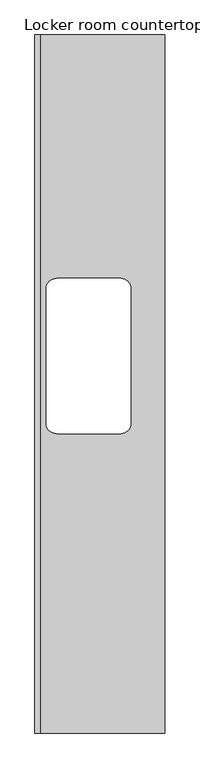
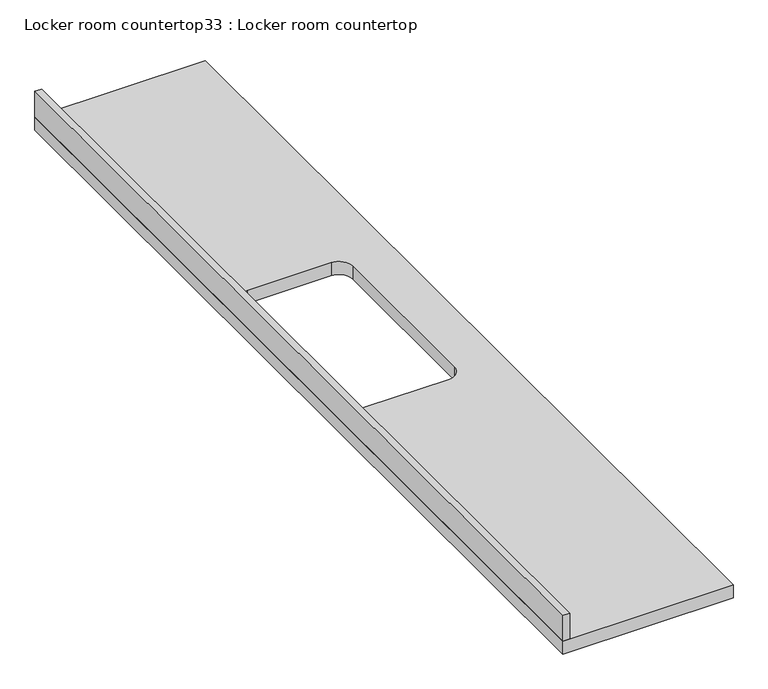
"""IFC4 building model written with IfcOpenShell, lengths in millimetres: furniture geometry, Locker room countertop33 : Locker room countertop."""

from ifc_helpers import new_model, si_unit, point, frame, frame_2d, origin, place, context, project, spatial, polyline, circle_curve, trimmed, segment, composite_curve, outline, extrude, source, transform, mapped, element, save


def locker_room_countertop33_locker_room_countertop_c64e6276(model_context):
    return source(origin(), model_context, "Body", "SweptSolid", [
        extrude(outline(polyline([(210239.5581854, -259215.7455223), (210239.5581854, -262613.712228), (209606.9379676, -262613.712228), (209606.9379676, -259215.7455223), (210239.5581854, -259215.7455223)]), holes=[composite_curve([segment(polyline([(209661.7081854, -260451.537228), (209661.7081854, -261105.587228)]), True, "CONTINUOUS"), segment(trimmed(circle_curve(frame_2d((209712.5081854, -261105.587228)), 50.8), [point((209661.7081854, -261105.587228))], [point((209712.5081854, -261156.387228))], True, "CARTESIAN"), True, "CONTINUOUS"), segment(polyline([(209712.5081854, -261156.387228), (210023.6581854, -261156.387228)]), True, "CONTINUOUS"), segment(trimmed(circle_curve(frame_2d((210023.6581854, -261105.587228)), 50.8), [point((210023.6581854, -261156.387228))], [point((210074.4581854, -261105.587228))], True, "CARTESIAN"), True, "CONTINUOUS"), segment(polyline([(210074.4581854, -261105.587228), (210074.4581854, -260451.537228)]), True, "CONTINUOUS"), segment(trimmed(circle_curve(frame_2d((210023.6581854, -260451.537228)), 50.8), [point((210074.4581854, -260451.537228))], [point((210023.6581854, -260400.737228))], True, "CARTESIAN"), True, "CONTINUOUS"), segment(polyline([(210023.6581854, -260400.737228), (209712.5081854, -260400.737228)]), True, "CONTINUOUS"), segment(trimmed(circle_curve(frame_2d((209712.5081854, -260451.537228)), 50.8), [point((209712.5081854, -260400.737228))], [point((209661.7081854, -260451.537228))], True, "CARTESIAN"), True, "CONTINUOUS")], self_intersect=False)]), frame((0.0, 0.0, 863.6), z_axis=(0.0, 0.0, 1.0), x_axis=(1.0, 0.0, 0.0)), (0.0, 0.0, 1.0), 50.8),
        extrude(outline(polyline([(209632.3379676, -259215.7455223), (209632.3379676, -262613.712228), (209606.9379676, -262613.712228), (209606.9379676, -259215.7455223), (209632.3379676, -259215.7455223)])), frame((0.0, 0.0, 914.4), z_axis=(0.0, 0.0, 1.0), x_axis=(1.0, 0.0, 0.0)), (0.0, 0.0, 1.0), 101.6),
    ])


if __name__ == "__main__":
    model = new_model("IFC4")
    model_context = context("Model", 3, world=origin())
    ifc_project = project(units=[si_unit("LENGTHUNIT", "METRE", prefix="MILLI")], contexts=[model_context])
    site = spatial("IfcSite", under=ifc_project)
    building = spatial("IfcBuilding", under=site)
    placement = place(None, origin())
    locker_room_countertop33_locker_room_countertop_shape = locker_room_countertop33_locker_room_countertop_c64e6276(model_context)
    element("IfcFurniture", 1, ObjectType="Locker room countertop33 : Locker room countertop", at=placement, inside=building, context=model_context, shape_type="MappedRepresentation", body=[
        mapped(locker_room_countertop33_locker_room_countertop_shape, transform((0.0, 0.0, 0.0), x_axis=(1.0, 0.0, 0.0), y_axis=(0.0, 1.0, 0.0), z_axis=(0.0, 0.0, 1.0))),
    ])
    save(model, "model.ifc")
